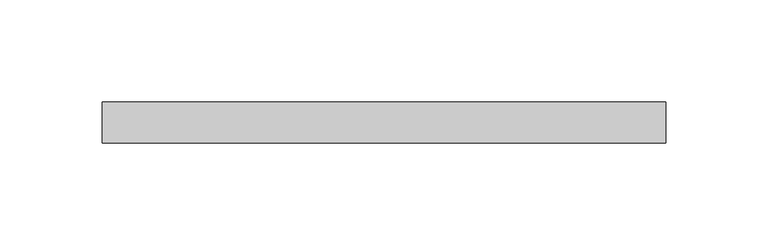
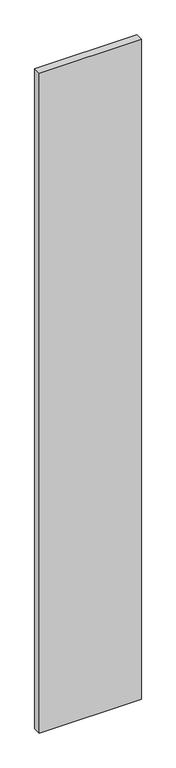
"""IFC4 building model written with IfcOpenShell, lengths in millimetres: plate geometry."""

from ifc_helpers import new_model, si_unit, origin, origin_with_axes, place, context, project, spatial, polyline, outline, extrude, source, transform, mapped, element, save


def plate_6fd1d758(model_context):
    return source(origin(), model_context, "Body", "SweptSolid", [
        extrude(outline(polyline([(137.5, 20.0), (-137.5, 20.0), (-137.5, 40.0), (137.5, 40.0), (137.5, 20.0)])), origin_with_axes(), (0.0, 0.0, 1.0), 1875.0),
    ])


if __name__ == "__main__":
    model = new_model("IFC4")
    model_context = context("Model", 3, world=origin())
    ifc_project = project(units=[si_unit("LENGTHUNIT", "METRE", prefix="MILLI")], contexts=[model_context])
    site = spatial("IfcSite", under=ifc_project)
    building = spatial("IfcBuilding", under=site)
    placement = place(None, origin())
    plate_shape = plate_6fd1d758(model_context)
    element("IfcPlate", 1, at=placement, inside=building, context=model_context, shape_type="MappedRepresentation", body=[
        mapped(plate_shape, transform((0.0, 0.0, 0.0), x_axis=(1.0, 0.0, 0.0), y_axis=(0.0, 1.0, 0.0), z_axis=(0.0, 0.0, 1.0))),
    ])
    save(model, "model.ifc")
